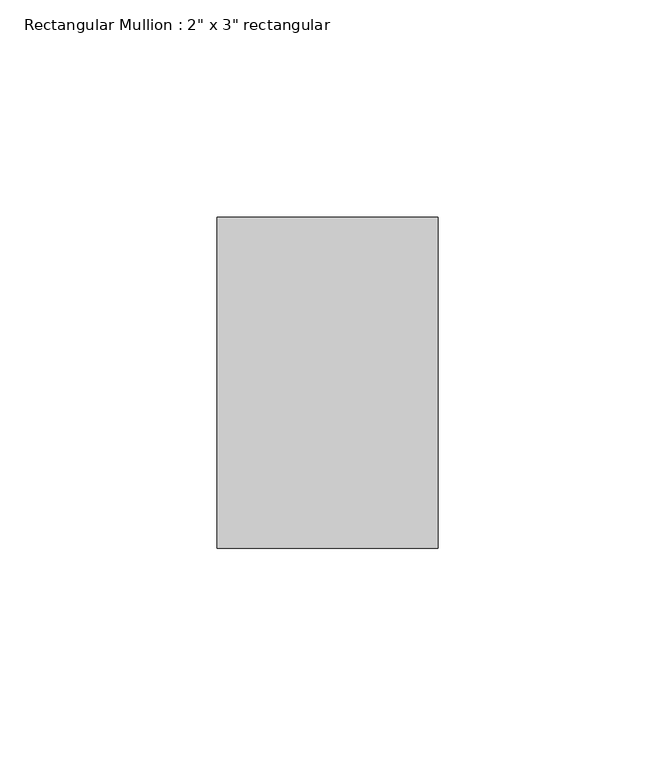
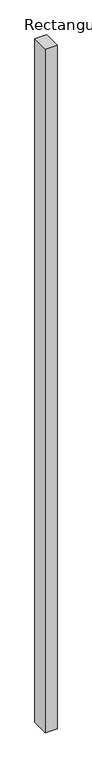
"""IFC4 building model written with IfcOpenShell, lengths in millimetres: member geometry."""

from ifc_helpers import new_model, si_unit, frame, origin, place, context, project, spatial, polyline, outline, extrude, source, transform, mapped, element, save


def member_adabda1a(model_context):
    return source(origin(), model_context, "Body", "SweptSolid", [
        extrude(outline(polyline([(0.0, 38.1), (0.0, -38.1), (-50.8, -38.1), (-50.8, 38.1), (0.0, 38.1)])), frame((0.0, 0.0, -3098.8), z_axis=(0.0, 0.0, 1.0), x_axis=(1.0, 0.0, 0.0)), (0.0, 0.0, 1.0), 3098.8),
    ])


if __name__ == "__main__":
    model = new_model("IFC4")
    model_context = context("Model", 3, world=origin())
    ifc_project = project(units=[si_unit("LENGTHUNIT", "METRE", prefix="MILLI")], contexts=[model_context])
    site = spatial("IfcSite", under=ifc_project)
    building = spatial("IfcBuilding", under=site)
    placement = place(None, origin())
    member_shape = member_adabda1a(model_context)
    element("IfcMember", 1, ObjectType="Rectangular Mullion : 2\" x 3\" rectangular", at=placement, inside=building, context=model_context, shape_type="MappedRepresentation", body=[
        mapped(member_shape, transform((0.0, 0.0, 0.0), x_axis=(1.0, 0.0, 0.0), y_axis=(0.0, 1.0, 0.0), z_axis=(0.0, 0.0, 1.0))),
    ])
    save(model, "model.ifc")
